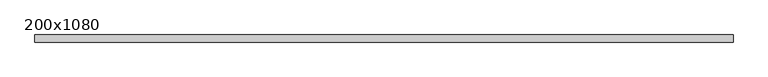
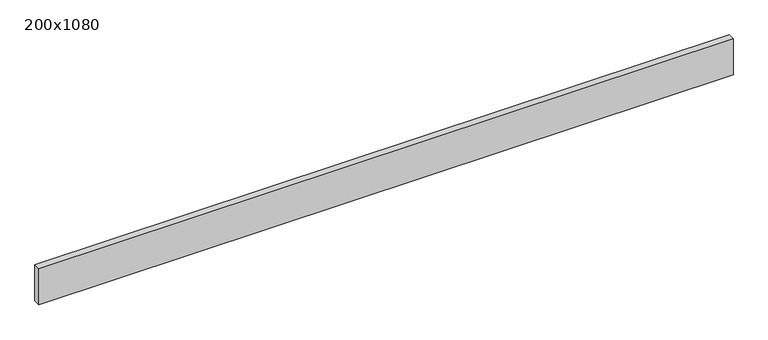
"""IFC4 building model written with IfcOpenShell, lengths in millimetres: beam geometry, 200x1080."""

from ifc_helpers import new_model, si_unit, frame, origin, place, context, project, spatial, polyline, outline, extrude, source, transform, mapped, element, save


def beam_200x1080_47f25a83(model_context):
    return source(origin(), model_context, "Body", "SweptSolid", [
        extrude(outline(polyline([(9986.5453021, 100.0), (9986.5453021, -100.0), (-9686.1517656, -100.0), (-9686.1517656, 100.0), (9986.5453021, 100.0)])), frame((0.0, 0.0, -540.0), z_axis=(0.0, 0.0, 1.0), x_axis=(1.0, 0.0, 0.0)), (0.0, 0.0, 1.0), 1080.0),
    ])


if __name__ == "__main__":
    model = new_model("IFC4")
    model_context = context("Model", 3, world=origin())
    ifc_project = project(units=[si_unit("LENGTHUNIT", "METRE", prefix="MILLI")], contexts=[model_context])
    site = spatial("IfcSite", under=ifc_project)
    building = spatial("IfcBuilding", under=site)
    placement = place(None, origin())
    beam_200x1080_shape = beam_200x1080_47f25a83(model_context)
    element("IfcBeam", 1, ObjectType="200x1080", at=placement, inside=building, context=model_context, shape_type="MappedRepresentation", body=[
        mapped(beam_200x1080_shape, transform((0.0, 0.0, 0.0), x_axis=(1.0, 0.0, 0.0), y_axis=(0.0, 1.0, 0.0), z_axis=(0.0, 0.0, 1.0))),
    ])
    save(model, "model.ifc")
